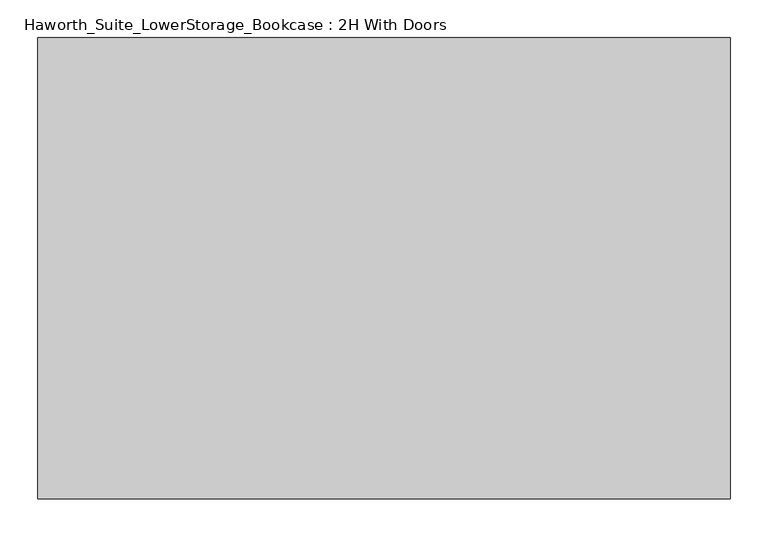
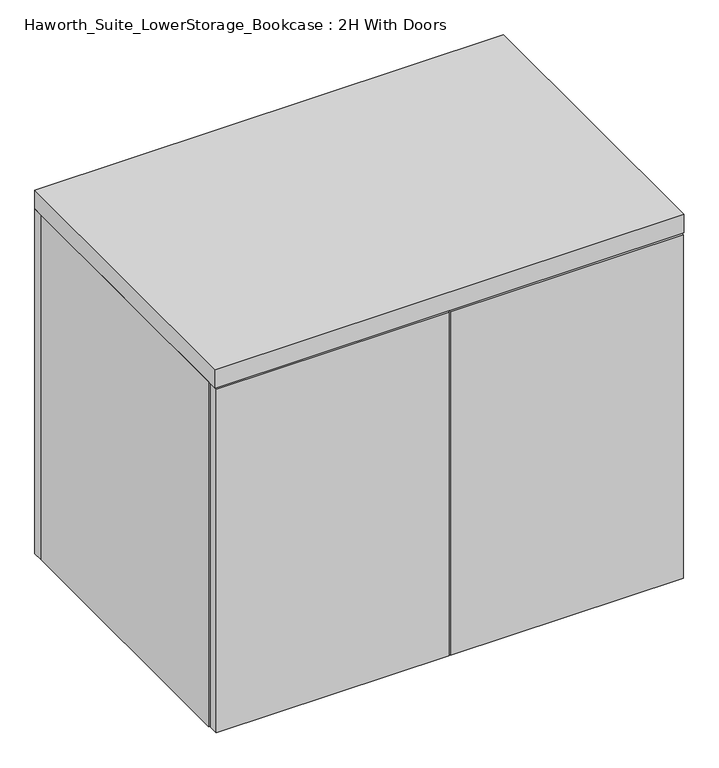
"""IFC4 building model written with IfcOpenShell, lengths in millimetres: furniture geometry, Haworth_Suite_LowerStorage_Bookcase : 2H With Doors."""

from ifc_helpers import new_model, si_unit, frame, origin, origin_with_axes, place, context, project, spatial, polyline, outline, extrude, source, transform, mapped, element, save


def haworth_suite_lowerstorage_bookcase_2h_with_doors_0f63c4bc(model_context):
    return source(origin(), model_context, "Body", "SweptSolid", [
        extrude(outline(polyline([(-468.3125, -603.25), (-14.2875, -603.25), (-14.2875, -622.3), (-468.3125, -622.3), (-468.3125, -603.25)])), origin_with_axes(), (0.0, 0.0, 1.0), 708.025),
        extrude(outline(polyline([(442.9125, -603.25), (442.9125, -622.3), (-11.1125, -622.3), (-11.1125, -603.25), (442.9125, -603.25)])), origin_with_axes(), (0.0, 0.0, 1.0), 708.025),
        extrude(outline(polyline([(425.45, -152.4), (425.45, -600.075), (-450.85, -600.075), (-450.85, -152.4), (425.45, -152.4)])), frame((0.0, 0.0, 352.425), z_axis=(0.0, 0.0, 1.0), x_axis=(1.0, 0.0, 0.0)), (0.0, 0.0, 1.0), 19.05),
        extrude(outline(polyline([(444.5, -12.7), (444.5, -622.3), (-469.9, -622.3), (-469.9, -12.7), (444.5, -12.7)])), frame((0.0, 0.0, 711.2), z_axis=(0.0, 0.0, 1.0), x_axis=(1.0, 0.0, 0.0)), (0.0, 0.0, 1.0), 38.1),
        extrude(outline(polyline([(425.45, -133.35), (425.45, -152.4), (-450.85, -152.4), (-450.85, -133.35), (425.45, -133.35)])), frame((0.0, 0.0, 38.1), z_axis=(0.0, 0.0, 1.0), x_axis=(1.0, 0.0, 0.0)), (0.0, 0.0, 1.0), 654.05),
        extrude(outline(polyline([(425.45, -133.35), (425.45, -501.65), (-450.85, -501.65), (-450.85, -133.35), (425.45, -133.35)])), frame((0.0, 0.0, 692.15), z_axis=(0.0, 0.0, 1.0), x_axis=(1.0, 0.0, 0.0)), (0.0, 0.0, 1.0), 19.05),
        extrude(outline(polyline([(444.5, -12.7), (444.5, -31.75), (-469.9, -31.75), (-469.9, -12.7), (444.5, -12.7)])), origin_with_axes(), (0.0, 0.0, 1.0), 711.2),
        extrude(outline(polyline([(425.45, -31.75), (425.45, -600.075), (-450.85, -600.075), (-450.85, -31.75), (425.45, -31.75)])), origin_with_axes(), (0.0, 0.0, 1.0), 38.1),
        extrude(outline(polyline([(-450.85, -31.75), (-450.85, -600.075), (-469.9, -600.075), (-469.9, -31.75), (-450.85, -31.75)])), origin_with_axes(), (0.0, 0.0, 1.0), 711.2),
        extrude(outline(polyline([(444.5, -600.075), (425.45, -600.075), (425.45, -31.75), (444.5, -31.75), (444.5, -600.075)])), origin_with_axes(), (0.0, 0.0, 1.0), 711.2),
    ])


if __name__ == "__main__":
    model = new_model("IFC4")
    model_context = context("Model", 3, world=origin())
    ifc_project = project(units=[si_unit("LENGTHUNIT", "METRE", prefix="MILLI")], contexts=[model_context])
    site = spatial("IfcSite", under=ifc_project)
    building = spatial("IfcBuilding", under=site)
    placement = place(None, origin())
    haworth_suite_lowerstorage_bookcase_2h_with_doors_shape = haworth_suite_lowerstorage_bookcase_2h_with_doors_0f63c4bc(model_context)
    element("IfcFurniture", 1, ObjectType="Haworth_Suite_LowerStorage_Bookcase : 2H With Doors", at=placement, inside=building, context=model_context, shape_type="MappedRepresentation", body=[
        mapped(haworth_suite_lowerstorage_bookcase_2h_with_doors_shape, transform((0.0, 0.0, 0.0), x_axis=(1.0, 0.0, 0.0), y_axis=(0.0, 1.0, 0.0), z_axis=(0.0, 0.0, 1.0))),
    ])
    save(model, "model.ifc")
